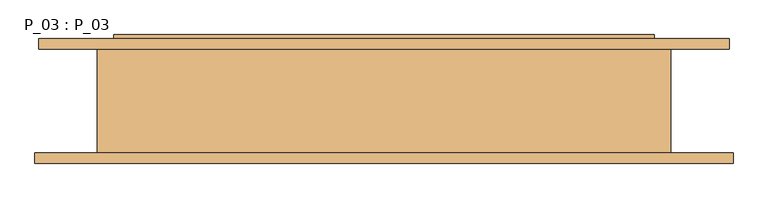
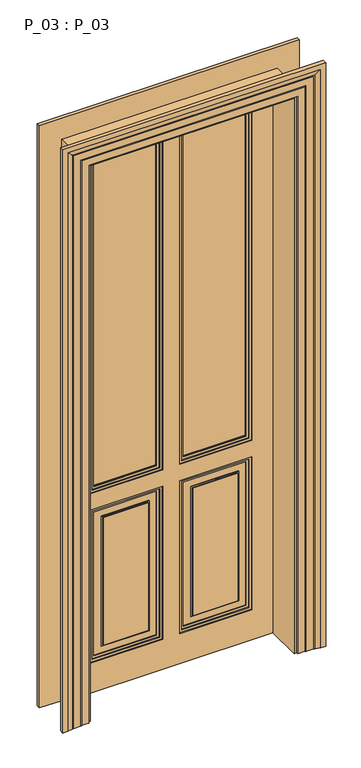
"""IFC4 building model written with IfcOpenShell, lengths in millimetres: door geometry, P_03 : P_03."""

from ifc_helpers import new_model, si_unit, frame, origin, place, context, project, spatial, polyline, outline, extrude, faceted_brep, source, transform, mapped, element, save


def p_03_p_03_27f08ab5(model_context):
    return source(origin(), model_context, "Body", "SolidModel", [
        extrude(outline(polyline([(2310.0, -35.0), (2310.0, -330.0), (860.0, -330.0), (860.0, -35.0), (2310.0, -35.0)]), holes=[polyline([(2300.0, -320.0), (2300.0, -45.0), (870.0, -45.0), (870.0, -320.0), (2300.0, -320.0)])]), frame((0.0, 72.0, 0.0), z_axis=(0.0, 1.0, 0.0), x_axis=(0.0, 0.0, 1.0)), (0.0, 0.0, 1.0), 8.0),
        extrude(outline(polyline([(860.0, 330.0), (2310.0, 330.0), (2310.0, 35.0), (860.0, 35.0), (860.0, 330.0)]), holes=[polyline([(2300.0, 45.0), (2300.0, 320.0), (870.0, 320.0), (870.0, 45.0), (2300.0, 45.0)])]), frame((0.0, 72.0, 0.0), z_axis=(0.0, 1.0, 0.0), x_axis=(0.0, 0.0, 1.0)), (0.0, 0.0, 1.0), 8.0),
        extrude(outline(polyline([(790.0, -330.0), (130.0, -330.0), (130.0, -35.0), (790.0, -35.0), (790.0, -330.0)]), holes=[polyline([(780.0, -320.0), (780.0, -45.0), (140.0, -45.0), (140.0, -320.0), (780.0, -320.0)])]), frame((0.0, 72.0, 0.0), z_axis=(0.0, 1.0, 0.0), x_axis=(0.0, 0.0, 1.0)), (0.0, 0.0, 1.0), 8.0),
        extrude(outline(polyline([(130.0, 330.0), (790.0, 330.0), (790.0, 35.0), (130.0, 35.0), (130.0, 330.0)]), holes=[polyline([(780.0, 45.0), (780.0, 320.0), (140.0, 320.0), (140.0, 45.0), (780.0, 45.0)])]), frame((0.0, 72.0, 0.0), z_axis=(0.0, 1.0, 0.0), x_axis=(0.0, 0.0, 1.0)), (0.0, 0.0, 1.0), 8.0),
        extrude(outline(polyline([(0.0, 415.0), (2395.0, 415.0), (2395.0, -415.0), (0.0, -415.0), (0.0, 415.0)]), holes=[polyline([(860.0, -35.0), (860.0, -330.0), (2310.0, -330.0), (2310.0, -35.0), (860.0, -35.0)]), polyline([(790.0, -35.0), (130.0, -35.0), (130.0, -330.0), (790.0, -330.0), (790.0, -35.0)]), polyline([(860.0, 35.0), (2310.0, 35.0), (2310.0, 330.0), (860.0, 330.0), (860.0, 35.0)]), polyline([(130.0, 35.0), (790.0, 35.0), (790.0, 330.0), (130.0, 330.0), (130.0, 35.0)])]), frame((0.0, 68.0, 0.0), z_axis=(0.0, 1.0, 0.0), x_axis=(0.0, 0.0, 1.0)), (0.0, 0.0, 1.0), 12.0),
        extrude(outline(polyline([(2400.0, -420.0), (0.0, -420.0), (0.0, 420.0), (2400.0, 420.0), (2400.0, -420.0)]), holes=[polyline([(2290.0, 310.0), (880.0, 310.0), (880.0, 55.0), (2290.0, 55.0), (2290.0, 310.0)]), polyline([(880.0, -55.0), (880.0, -310.0), (2290.0, -310.0), (2290.0, -55.0), (880.0, -55.0)])]), frame((0.0, 80.0, 0.0), z_axis=(0.0, 1.0, 0.0), x_axis=(0.0, 0.0, 1.0)), (0.0, 0.0, 1.0), 10.0),
        extrude(outline(polyline([(860.0, 330.0), (2310.0, 330.0), (2310.0, 35.0), (860.0, 35.0), (860.0, 330.0)]), holes=[polyline([(2300.0, 45.0), (2300.0, 320.0), (870.0, 320.0), (870.0, 45.0), (2300.0, 45.0)])]), frame((0.0, 90.0, 0.0), z_axis=(0.0, 1.0, 0.0), x_axis=(0.0, 0.0, 1.0)), (0.0, 0.0, 1.0), 8.0),
        extrude(outline(polyline([(790.0, -330.0), (130.0, -330.0), (130.0, -35.0), (790.0, -35.0), (790.0, -330.0)]), holes=[polyline([(780.0, -320.0), (780.0, -45.0), (140.0, -45.0), (140.0, -320.0), (780.0, -320.0)])]), frame((0.0, 90.0, 0.0), z_axis=(0.0, 1.0, 0.0), x_axis=(0.0, 0.0, 1.0)), (0.0, 0.0, 1.0), 8.0),
        extrude(outline(polyline([(130.0, 330.0), (790.0, 330.0), (790.0, 35.0), (130.0, 35.0), (130.0, 330.0)]), holes=[polyline([(780.0, 45.0), (780.0, 320.0), (140.0, 320.0), (140.0, 45.0), (780.0, 45.0)])]), frame((0.0, 90.0, 0.0), z_axis=(0.0, 1.0, 0.0), x_axis=(0.0, 0.0, 1.0)), (0.0, 0.0, 1.0), 8.0),
        extrude(outline(polyline([(2310.0, -35.0), (2310.0, -330.0), (860.0, -330.0), (860.0, -35.0), (2310.0, -35.0)]), holes=[polyline([(2300.0, -320.0), (2300.0, -45.0), (870.0, -45.0), (870.0, -320.0), (2300.0, -320.0)])]), frame((0.0, 90.0, 0.0), z_axis=(0.0, 1.0, 0.0), x_axis=(0.0, 0.0, 1.0)), (0.0, 0.0, 1.0), 8.0),
        faceted_brep([(420.0, 90.0, 0.0), (420.0, 90.0, 2400.0), (-420.0, 90.0, 2400.0), (-420.0, 90.0, 0.0), (35.0, 90.0, 860.0), (35.0, 90.0, 2310.0), (330.0, 90.0, 2310.0), (330.0, 90.0, 860.0), (-35.0, 90.0, 860.0), (-330.0, 90.0, 860.0), (-330.0, 90.0, 2310.0), (-35.0, 90.0, 2310.0), (-35.0, 90.0, 790.0), (-35.0, 90.0, 130.0), (-330.0, 90.0, 130.0), (-330.0, 90.0, 790.0), (35.0, 90.0, 130.0), (35.0, 90.0, 790.0), (330.0, 90.0, 790.0), (330.0, 90.0, 130.0), (35.0, 102.0, 860.0), (35.0, 102.0, 2310.0), (330.0, 102.0, 2310.0), (330.0, 102.0, 860.0), (-35.0, 102.0, 860.0), (-330.0, 102.0, 860.0), (-330.0, 102.0, 2310.0), (-35.0, 102.0, 2310.0), (-35.0, 102.0, 790.0), (-35.0, 102.0, 130.0), (-330.0, 102.0, 130.0), (-330.0, 102.0, 790.0), (35.0, 102.0, 130.0), (35.0, 102.0, 790.0), (330.0, 102.0, 790.0), (330.0, 102.0, 130.0), (420.0, 95.0, 0.0), (420.0, 95.0, 2400.0), (-420.0, 95.0, 2400.0), (-420.0, 95.0, 0.0), (-415.0, 95.0, 0.0), (-415.0, 102.0, 0.0), (415.0, 102.0, 0.0), (415.0, 95.0, 0.0), (-415.0, 102.0, 2395.0), (415.0, 102.0, 2395.0), (-415.0, 95.0, 2395.0), (415.0, 95.0, 2395.0)], [[[0, 1, 2, 3], [4, 5, 6, 7], [8, 9, 10, 11], [12, 13, 14, 15], [16, 17, 18, 19]], [[5, 4, 20, 21]], [[7, 6, 22, 23]], [[4, 7, 23, 20]], [[9, 8, 24, 25]], [[10, 9, 25, 26]], [[8, 11, 27, 24]], [[13, 12, 28, 29]], [[14, 13, 29, 30]], [[15, 14, 30, 31]], [[12, 15, 31, 28]], [[17, 16, 32, 33]], [[18, 17, 33, 34]], [[19, 18, 34, 35]], [[16, 19, 35, 32]], [[0, 36, 37, 1]], [[3, 2, 38, 39]], [[0, 3, 39, 40, 41, 42, 43, 36]], [[42, 41, 44, 45], [20, 23, 22, 21], [24, 27, 26, 25], [28, 31, 30, 29], [32, 35, 34, 33]], [[44, 41, 40, 46]], [[42, 45, 47, 43]], [[36, 43, 47, 46, 40, 39, 38, 37]], [[6, 5, 21, 22]], [[11, 10, 26, 27]], [[1, 37, 38, 2]], [[45, 44, 46, 47]]]),
        faceted_brep([(530.0, 80.0, 0.0), (440.0, 80.0, 0.0), (440.0, -80.0, 0.0), (536.0, -80.0, 0.0), (536.0, -96.0, 0.0), (516.0, -96.0, 0.0), (496.0, -92.0291126, 0.0), (496.0, -91.0291126, 0.0), (491.0, -91.0291126, 0.0), (491.0, -90.0291126, 0.0), (461.0, -90.0291126, 0.0), (461.0, -89.0291126, 0.0), (456.0, -89.0291126, 0.0), (456.0, -88.0291126, 0.0), (426.0, -88.0291126, 0.0), (426.0, -80.0, 0.0), (416.0, -80.0, 0.0), (416.0, 80.0, 0.0), (426.0, 80.0, 0.0), (426.0, 88.0291126, 0.0), (456.0, 88.0291126, 0.0), (456.0, 89.0291126, 0.0), (461.0, 89.0291126, 0.0), (461.0, 90.0291126, 0.0), (485.0, 90.0291126, 0.0), (485.0, 91.0291126, 0.0), (490.0, 91.0291126, 0.0), (490.0, 92.0291126, 0.0), (510.0, 96.0, 0.0), (530.0, 96.0, 0.0), (530.0, 80.0, 2510.0), (-530.0, 80.0, 2510.0), (-530.0, 80.0, 0.0), (-440.0, 80.0, 0.0), (-440.0, 80.0, 2420.0), (440.0, 80.0, 2420.0), (440.0, -80.0, 2420.0), (-440.0, -80.0, 2420.0), (-440.0, -80.0, 0.0), (-536.0, -80.0, 0.0), (-536.0, -80.0, 2516.0), (536.0, -80.0, 2516.0), (536.0, -96.0, 2516.0), (-536.0, -96.0, 2516.0), (-536.0, -96.0, 0.0), (-516.0, -96.0, 0.0), (-516.0, -96.0, 2496.0), (516.0, -96.0, 2496.0), (496.0, -92.0291126, 2476.0), (496.0, -91.0291126, 2476.0), (-496.0, -91.0291126, 2476.0), (-496.0, -91.0291126, 0.0), (-491.0, -91.0291126, 0.0), (-491.0, -91.0291126, 2471.0), (491.0, -91.0291126, 2471.0), (491.0, -90.0291126, 2471.0), (-491.0, -90.0291126, 2471.0), (-491.0, -90.0291126, 0.0), (-461.0, -90.0291126, 0.0), (-461.0, -90.0291126, 2441.0), (461.0, -90.0291126, 2441.0), (461.0, -89.0291126, 2441.0), (-461.0, -89.0291126, 2441.0), (-461.0, -89.0291126, 0.0), (-456.0, -89.0291126, 0.0), (-456.0, -89.0291126, 2436.0), (456.0, -89.0291126, 2436.0), (456.0, -88.0291126, 2436.0), (-456.0, -88.0291126, 2436.0), (-456.0, -88.0291126, 0.0), (-426.0, -88.0291126, 0.0), (-426.0, -88.0291126, 2406.0), (426.0, -88.0291126, 2406.0), (426.0, -80.0, 2406.0), (-426.0, -80.0, 2406.0), (-426.0, -80.0, 0.0), (-416.0, -80.0, 0.0), (-416.0, -80.0, 2396.0), (416.0, -80.0, 2396.0), (416.0, 80.0, 2396.0), (-416.0, 80.0, 2396.0), (-416.0, 80.0, 0.0), (-426.0, 80.0, 0.0), (-426.0, 80.0, 2406.0), (426.0, 80.0, 2406.0), (426.0, 88.0291126, 2406.0), (-426.0, 88.0291126, 2406.0), (-426.0, 88.0291126, 0.0), (-456.0, 88.0291126, 0.0), (-456.0, 88.0291126, 2436.0), (456.0, 88.0291126, 2436.0), (456.0, 89.0291126, 2436.0), (-456.0, 89.0291126, 2436.0), (-456.0, 89.0291126, 0.0), (-461.0, 89.0291126, 0.0), (-461.0, 89.0291126, 2441.0), (461.0, 89.0291126, 2441.0), (461.0, 90.0291126, 2441.0), (-461.0, 90.0291126, 2441.0), (-461.0, 90.0291126, 0.0), (-485.0, 90.0291126, 0.0), (-485.0, 90.0291126, 2465.0), (485.0, 90.0291126, 2465.0), (485.0, 91.0291126, 2465.0), (-485.0, 91.0291126, 2465.0), (-485.0, 91.0291126, 0.0), (-490.0, 91.0291126, 0.0), (-490.0, 91.0291126, 2470.0), (490.0, 91.0291126, 2470.0), (490.0, 92.0291126, 2470.0), (510.0, 96.0, 2490.0), (-510.0, 96.0, 2490.0), (-510.0, 96.0, 0.0), (-530.0, 96.0, 0.0), (-530.0, 96.0, 2510.0), (530.0, 96.0, 2510.0), (-490.0, 92.0291126, 0.0), (-496.0, -92.0291126, 0.0), (-490.0, 92.0291126, 2470.0), (-496.0, -92.0291126, 2476.0)], [[[0, 1, 2, 3, 4, 5, 6, 7, 8, 9, 10, 11, 12, 13, 14, 15, 16, 17, 18, 19, 20, 21, 22, 23, 24, 25, 26, 27, 28, 29]], [[1, 0, 30, 31, 32, 33, 34, 35]], [[2, 1, 35, 36]], [[3, 2, 36, 37, 38, 39, 40, 41]], [[4, 3, 41, 42]], [[5, 4, 42, 43, 44, 45, 46, 47]], [[6, 5, 47, 48]], [[7, 6, 48, 49]], [[8, 7, 49, 50, 51, 52, 53, 54]], [[9, 8, 54, 55]], [[10, 9, 55, 56, 57, 58, 59, 60]], [[11, 10, 60, 61]], [[12, 11, 61, 62, 63, 64, 65, 66]], [[13, 12, 66, 67]], [[14, 13, 67, 68, 69, 70, 71, 72]], [[15, 14, 72, 73]], [[16, 15, 73, 74, 75, 76, 77, 78]], [[17, 16, 78, 79]], [[18, 17, 79, 80, 81, 82, 83, 84]], [[19, 18, 84, 85]], [[20, 19, 85, 86, 87, 88, 89, 90]], [[21, 20, 90, 91]], [[22, 21, 91, 92, 93, 94, 95, 96]], [[23, 22, 96, 97]], [[24, 23, 97, 98, 99, 100, 101, 102]], [[25, 24, 102, 103]], [[26, 25, 103, 104, 105, 106, 107, 108]], [[27, 26, 108, 109]], [[28, 27, 109, 110]], [[29, 28, 110, 111, 112, 113, 114, 115]], [[0, 29, 115, 30]], [[31, 114, 113, 32]], [[32, 113, 112, 116, 106, 105, 100, 99, 94, 93, 88, 87, 82, 81, 76, 75, 70, 69, 64, 63, 58, 57, 52, 51, 117, 45, 44, 39, 38, 33]], [[37, 34, 33, 38]], [[74, 71, 70, 75]], [[80, 77, 76, 81]], [[86, 83, 82, 87]], [[111, 118, 116, 112]], [[118, 107, 106, 116]], [[104, 101, 100, 105]], [[98, 95, 94, 99]], [[92, 89, 88, 93]], [[68, 65, 64, 69]], [[62, 59, 58, 63]], [[56, 53, 52, 57]], [[50, 119, 117, 51]], [[119, 46, 45, 117]], [[43, 40, 39, 44]], [[30, 115, 114, 31]], [[36, 35, 34, 37]], [[73, 72, 71, 74]], [[79, 78, 77, 80]], [[85, 84, 83, 86]], [[91, 90, 89, 92]], [[97, 96, 95, 98]], [[103, 102, 101, 104]], [[109, 108, 107, 118]], [[110, 109, 118, 111]], [[42, 41, 40, 43]], [[48, 47, 46, 119]], [[49, 48, 119, 50]], [[55, 54, 53, 56]], [[61, 60, 59, 62]], [[67, 66, 65, 68]]]),
        extrude(outline(polyline([(310.0, 83.0), (55.0, 83.0), (55.0, 87.0), (310.0, 87.0), (310.0, 83.0)])), frame((0.0, 0.0, 880.0), z_axis=(0.0, 0.0, 1.0), x_axis=(1.0, 0.0, 0.0)), (0.0, 0.0, 1.0), 1410.0),
        extrude(outline(polyline([(-55.0, 83.0), (-310.0, 83.0), (-310.0, 87.0), (-55.0, 87.0), (-55.0, 83.0)])), frame((0.0, 0.0, 880.0), z_axis=(0.0, 0.0, 1.0), x_axis=(1.0, 0.0, 0.0)), (0.0, 0.0, 1.0), 1410.0),
        extrude(outline(polyline([(2300.0, 45.0), (870.0, 45.0), (870.0, 320.0), (2300.0, 320.0), (2300.0, 45.0)]), holes=[polyline([(2290.0, 55.0), (2290.0, 310.0), (880.0, 310.0), (880.0, 55.0), (2290.0, 55.0)])]), frame((0.0, 76.0, 0.0), z_axis=(0.0, 1.0, 0.0), x_axis=(0.0, 0.0, 1.0)), (0.0, 0.0, 1.0), 4.0),
        extrude(outline(polyline([(2300.0, -320.0), (870.0, -320.0), (870.0, -45.0), (2300.0, -45.0), (2300.0, -320.0)]), holes=[polyline([(2290.0, -310.0), (2290.0, -55.0), (880.0, -55.0), (880.0, -310.0), (2290.0, -310.0)])]), frame((0.0, 76.0, 0.0), z_axis=(0.0, 1.0, 0.0), x_axis=(0.0, 0.0, 1.0)), (0.0, 0.0, 1.0), 4.0),
        extrude(outline(polyline([(780.0, 45.0), (140.0, 45.0), (140.0, 320.0), (780.0, 320.0), (780.0, 45.0)]), holes=[polyline([(770.0, 55.0), (770.0, 310.0), (150.0, 310.0), (150.0, 55.0), (770.0, 55.0)])]), frame((0.0, 76.0, 0.0), z_axis=(0.0, 1.0, 0.0), x_axis=(0.0, 0.0, 1.0)), (0.0, 0.0, 1.0), 4.0),
        extrude(outline(polyline([(780.0, -320.0), (140.0, -320.0), (140.0, -45.0), (780.0, -45.0), (780.0, -320.0)]), holes=[polyline([(770.0, -310.0), (770.0, -55.0), (150.0, -55.0), (150.0, -310.0), (770.0, -310.0)])]), frame((0.0, 76.0, 0.0), z_axis=(0.0, 1.0, 0.0), x_axis=(0.0, 0.0, 1.0)), (0.0, 0.0, 1.0), 4.0),
        extrude(outline(polyline([(740.0, 85.0), (180.0, 85.0), (180.0, 280.0), (740.0, 280.0), (740.0, 85.0)]), holes=[polyline([(735.0, 90.0), (735.0, 275.0), (185.0, 275.0), (185.0, 90.0), (735.0, 90.0)])]), frame((0.0, 76.0, 0.0), z_axis=(0.0, 1.0, 0.0), x_axis=(0.0, 0.0, 1.0)), (0.0, 0.0, 1.0), 4.0),
        extrude(outline(polyline([(740.0, -280.0), (180.0, -280.0), (180.0, -85.0), (740.0, -85.0), (740.0, -280.0)]), holes=[polyline([(735.0, -275.0), (735.0, -90.0), (185.0, -90.0), (185.0, -275.0), (735.0, -275.0)])]), frame((0.0, 76.0, 0.0), z_axis=(0.0, 1.0, 0.0), x_axis=(0.0, 0.0, 1.0)), (0.0, 0.0, 1.0), 4.0),
        extrude(outline(polyline([(780.0, 45.0), (140.0, 45.0), (140.0, 320.0), (780.0, 320.0), (780.0, 45.0)]), holes=[polyline([(770.0, 55.0), (770.0, 310.0), (150.0, 310.0), (150.0, 55.0), (770.0, 55.0)])]), frame((0.0, 90.0, 0.0), z_axis=(0.0, 1.0, 0.0), x_axis=(0.0, 0.0, 1.0)), (0.0, 0.0, 1.0), 4.0),
        extrude(outline(polyline([(780.0, -320.0), (140.0, -320.0), (140.0, -45.0), (780.0, -45.0), (780.0, -320.0)]), holes=[polyline([(770.0, -310.0), (770.0, -55.0), (150.0, -55.0), (150.0, -310.0), (770.0, -310.0)])]), frame((0.0, 90.0, 0.0), z_axis=(0.0, 1.0, 0.0), x_axis=(0.0, 0.0, 1.0)), (0.0, 0.0, 1.0), 4.0),
        extrude(outline(polyline([(740.0, 85.0), (180.0, 85.0), (180.0, 280.0), (740.0, 280.0), (740.0, 85.0)]), holes=[polyline([(735.0, 90.0), (735.0, 275.0), (185.0, 275.0), (185.0, 90.0), (735.0, 90.0)])]), frame((0.0, 90.0, 0.0), z_axis=(0.0, 1.0, 0.0), x_axis=(0.0, 0.0, 1.0)), (0.0, 0.0, 1.0), 4.0),
        extrude(outline(polyline([(740.0, -280.0), (180.0, -280.0), (180.0, -85.0), (740.0, -85.0), (740.0, -280.0)]), holes=[polyline([(735.0, -275.0), (735.0, -90.0), (185.0, -90.0), (185.0, -275.0), (735.0, -275.0)])]), frame((0.0, 90.0, 0.0), z_axis=(0.0, 1.0, 0.0), x_axis=(0.0, 0.0, 1.0)), (0.0, 0.0, 1.0), 4.0),
        extrude(outline(polyline([(2300.0, 45.0), (870.0, 45.0), (870.0, 320.0), (2300.0, 320.0), (2300.0, 45.0)]), holes=[polyline([(2290.0, 55.0), (2290.0, 310.0), (880.0, 310.0), (880.0, 55.0), (2290.0, 55.0)])]), frame((0.0, 90.0, 0.0), z_axis=(0.0, 1.0, 0.0), x_axis=(0.0, 0.0, 1.0)), (0.0, 0.0, 1.0), 4.0),
        extrude(outline(polyline([(2300.0, -320.0), (870.0, -320.0), (870.0, -45.0), (2300.0, -45.0), (2300.0, -320.0)]), holes=[polyline([(2290.0, -310.0), (2290.0, -55.0), (880.0, -55.0), (880.0, -310.0), (2290.0, -310.0)])]), frame((0.0, 90.0, 0.0), z_axis=(0.0, 1.0, 0.0), x_axis=(0.0, 0.0, 1.0)), (0.0, 0.0, 1.0), 4.0),
        extrude(outline(polyline([(90.0, 80.0), (275.0, 80.0), (275.0, 72.0), (90.0, 72.0), (90.0, 80.0)])), frame((0.0, 0.0, 185.0), z_axis=(0.0, 0.0, 1.0), x_axis=(1.0, 0.0, 0.0)), (0.0, 0.0, 1.0), 550.0),
        extrude(outline(polyline([(-275.0, 80.0), (-90.0, 80.0), (-90.0, 72.0), (-275.0, 72.0), (-275.0, 80.0)])), frame((0.0, 0.0, 185.0), z_axis=(0.0, 0.0, 1.0), x_axis=(1.0, 0.0, 0.0)), (0.0, 0.0, 1.0), 550.0),
        extrude(outline(polyline([(275.0, 90.0), (90.0, 90.0), (90.0, 98.0), (275.0, 98.0), (275.0, 90.0)])), frame((0.0, 0.0, 185.0), z_axis=(0.0, 0.0, 1.0), x_axis=(1.0, 0.0, 0.0)), (0.0, 0.0, 1.0), 550.0),
        extrude(outline(polyline([(-90.0, 90.0), (-275.0, 90.0), (-275.0, 98.0), (-90.0, 98.0), (-90.0, 90.0)])), frame((0.0, 0.0, 185.0), z_axis=(0.0, 0.0, 1.0), x_axis=(1.0, 0.0, 0.0)), (0.0, 0.0, 1.0), 550.0),
    ])


if __name__ == "__main__":
    model = new_model("IFC4")
    model_context = context("Model", 3, world=origin())
    ifc_project = project(units=[si_unit("LENGTHUNIT", "METRE", prefix="MILLI")], contexts=[model_context])
    site = spatial("IfcSite", under=ifc_project)
    building = spatial("IfcBuilding", under=site)
    placement = place(None, origin())
    p_03_p_03_shape = p_03_p_03_27f08ab5(model_context)
    element("IfcDoor", 1, ObjectType="P_03 : P_03", at=placement, inside=building, context=model_context, shape_type="MappedRepresentation", body=[
        mapped(p_03_p_03_shape, transform((0.0, 0.0, 0.0), x_axis=(1.0, 0.0, 0.0), y_axis=(0.0, 1.0, 0.0), z_axis=(0.0, 0.0, 1.0))),
    ])
    save(model, "model.ifc")
